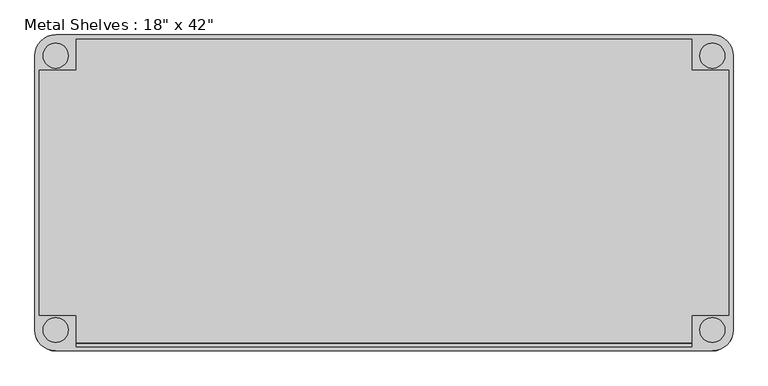
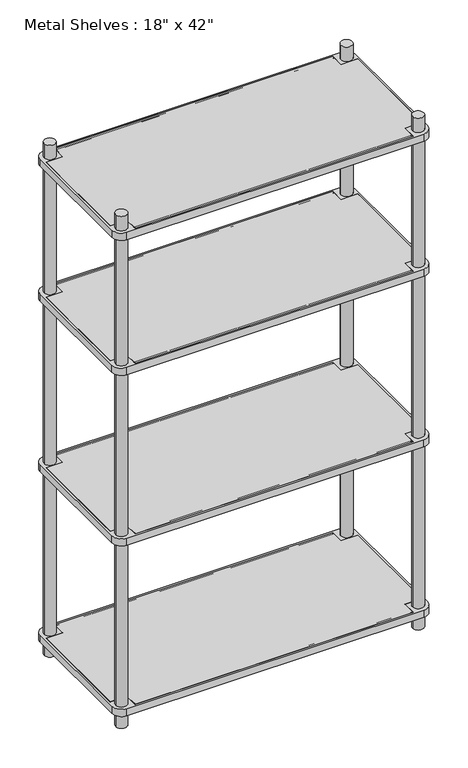
"""IFC4 building model written with IfcOpenShell, lengths in millimetres: furniture geometry."""

from ifc_helpers import new_model, si_unit, point, frame, frame_2d, origin, origin_with_axes, place, context, project, spatial, polyline, circle_curve, trimmed, segment, composite_curve, outline, extrude, source, transform, mapped, element, save


def furniture_dc0e3848(model_context):
    return source(origin(), model_context, "Body", "SweptSolid", [
        extrude(outline(polyline([(-469.9, -234.95), (-469.9, -187.325), (-527.05, -187.325), (-527.05, 187.325), (-469.9, 187.325), (-469.9, 234.95), (469.9, 234.95), (469.9, 187.325), (527.05, 187.325), (527.05, -187.325), (469.9, -187.325), (469.9, -234.95), (-469.9, -234.95)])), frame((0.0, 0.0, 50.8), z_axis=(0.0, 0.0, 1.0), x_axis=(1.0, 0.0, 0.0)), (0.0, 0.0, 1.0), 25.4),
        extrude(outline(polyline([(-469.9, -234.95), (-469.9, -187.325), (-527.05, -187.325), (-527.05, 187.325), (-469.9, 187.325), (-469.9, 234.95), (469.9, 234.95), (469.9, 187.325), (527.05, 187.325), (527.05, -187.325), (469.9, -187.325), (469.9, -234.95), (-469.9, -234.95)])), frame((0.0, 0.0, 660.4), z_axis=(0.0, 0.0, 1.0), x_axis=(1.0, 0.0, 0.0)), (0.0, 0.0, 1.0), 25.4),
        extrude(outline(polyline([(-469.9, -234.95), (-469.9, -187.325), (-527.05, -187.325), (-527.05, 187.325), (-469.9, 187.325), (-469.9, 234.95), (469.9, 234.95), (469.9, 187.325), (527.05, 187.325), (527.05, -187.325), (469.9, -187.325), (469.9, -234.95), (-469.9, -234.95)])), frame((0.0, 0.0, 1270.0), z_axis=(0.0, 0.0, 1.0), x_axis=(1.0, 0.0, 0.0)), (0.0, 0.0, 1.0), 25.4),
        extrude(outline(polyline([(-527.05, -187.325), (-527.05, 187.325), (-469.9, 187.325), (-469.9, 234.95), (469.9, 234.95), (469.9, 187.325), (527.05, 187.325), (527.05, -187.325), (469.9, -187.325), (469.9, -234.95), (-469.9, -234.95), (-469.9, -187.325), (-527.05, -187.325)])), frame((0.0, 0.0, 1752.6), z_axis=(0.0, 0.0, 1.0), x_axis=(1.0, 0.0, 0.0)), (0.0, 0.0, 1.0), 25.4),
        extrude(outline(composite_curve([segment(polyline([(533.4, 209.55), (533.4, -209.55)]), True, "CONTINUOUS"), segment(trimmed(circle_curve(frame_2d((501.65, -209.55)), 31.75), [point((533.4, -209.55))], [point((501.65, -241.3))], False, "CARTESIAN"), True, "CONTINUOUS"), segment(polyline([(501.65, -241.3), (-501.65, -241.3)]), True, "CONTINUOUS"), segment(trimmed(circle_curve(frame_2d((-501.65, -209.55)), 31.75), [point((-501.65, -241.3))], [point((-533.4, -209.55))], False, "CARTESIAN"), True, "CONTINUOUS"), segment(polyline([(-533.4, -209.55), (-533.4, 209.55)]), True, "CONTINUOUS"), segment(trimmed(circle_curve(frame_2d((-501.65, 209.55)), 31.75), [point((-533.4, 209.55))], [point((-501.65, 241.3))], False, "CARTESIAN"), True, "CONTINUOUS"), segment(polyline([(-501.65, 241.3), (501.65, 241.3)]), True, "CONTINUOUS"), segment(trimmed(circle_curve(frame_2d((501.65, 209.55)), 31.75), [point((501.65, 241.3))], [point((533.4, 209.55))], False, "CARTESIAN"), True, "CONTINUOUS")], self_intersect=False), holes=[polyline([(-469.9, 234.95), (-469.9, 187.325), (-527.05, 187.325), (-527.05, -187.325), (-469.9, -187.325), (-469.9, -234.95), (469.9, -234.95), (469.9, -187.325), (527.05, -187.325), (527.05, 187.325), (469.9, 187.325), (469.9, 234.95), (-469.9, 234.95)]), composite_curve([segment(trimmed(circle_curve(frame_2d((501.65, 209.55)), 19.05), [point((482.6, 209.55))], [point((520.7, 209.55))], True, "CARTESIAN"), True, "CONTINUOUS"), segment(trimmed(circle_curve(frame_2d((501.65, 209.55)), 19.05), [point((520.7, 209.55))], [point((482.6, 209.55))], True, "CARTESIAN"), True, "CONTINUOUS")], self_intersect=False), composite_curve([segment(trimmed(circle_curve(frame_2d((501.65, -209.55)), 19.05), [point((482.6, -209.55))], [point((520.7, -209.55))], True, "CARTESIAN"), True, "CONTINUOUS"), segment(trimmed(circle_curve(frame_2d((501.65, -209.55)), 19.05), [point((520.7, -209.55))], [point((482.6, -209.55))], True, "CARTESIAN"), True, "CONTINUOUS")], self_intersect=False), composite_curve([segment(trimmed(circle_curve(frame_2d((-501.65, -209.55)), 19.05), [point((-482.6, -209.55))], [point((-520.7, -209.55))], True, "CARTESIAN"), True, "CONTINUOUS"), segment(trimmed(circle_curve(frame_2d((-501.65, -209.55)), 19.05), [point((-520.7, -209.55))], [point((-482.6, -209.55))], True, "CARTESIAN"), True, "CONTINUOUS")], self_intersect=False), composite_curve([segment(trimmed(circle_curve(frame_2d((-501.65, 209.55)), 19.05), [point((-482.6, 209.55))], [point((-520.7, 209.55))], True, "CARTESIAN"), True, "CONTINUOUS"), segment(trimmed(circle_curve(frame_2d((-501.65, 209.55)), 19.05), [point((-520.7, 209.55))], [point((-482.6, 209.55))], True, "CARTESIAN"), True, "CONTINUOUS")], self_intersect=False)]), frame((0.0, 0.0, 660.4), z_axis=(0.0, 0.0, 1.0), x_axis=(1.0, 0.0, 0.0)), (0.0, 0.0, 1.0), 25.4),
        extrude(outline(composite_curve([segment(polyline([(-501.65, 241.3), (501.65, 241.3)]), True, "CONTINUOUS"), segment(trimmed(circle_curve(frame_2d((501.65, 209.55)), 31.75), [point((501.65, 241.3))], [point((533.4, 209.55))], False, "CARTESIAN"), True, "CONTINUOUS"), segment(polyline([(533.4, 209.55), (533.4, -209.55)]), True, "CONTINUOUS"), segment(trimmed(circle_curve(frame_2d((501.65, -209.55)), 31.75), [point((533.4, -209.55))], [point((501.65, -241.3))], False, "CARTESIAN"), True, "CONTINUOUS"), segment(polyline([(501.65, -241.3), (-501.65, -241.3)]), True, "CONTINUOUS"), segment(trimmed(circle_curve(frame_2d((-501.65, -209.55)), 31.75), [point((-501.65, -241.3))], [point((-533.4, -209.55))], False, "CARTESIAN"), True, "CONTINUOUS"), segment(polyline([(-533.4, -209.55), (-533.4, 209.55)]), True, "CONTINUOUS"), segment(trimmed(circle_curve(frame_2d((-501.65, 209.55)), 31.75), [point((-533.4, 209.55))], [point((-501.65, 241.3))], False, "CARTESIAN"), True, "CONTINUOUS")], self_intersect=False), holes=[composite_curve([segment(trimmed(circle_curve(frame_2d((-501.65, 209.55)), 19.05), [point((-482.6, 209.55))], [point((-520.7, 209.55))], True, "CARTESIAN"), True, "CONTINUOUS"), segment(trimmed(circle_curve(frame_2d((-501.65, 209.55)), 19.05), [point((-520.7, 209.55))], [point((-482.6, 209.55))], True, "CARTESIAN"), True, "CONTINUOUS")], self_intersect=False), composite_curve([segment(trimmed(circle_curve(frame_2d((-501.65, -209.55)), 19.05), [point((-482.6, -209.55))], [point((-520.7, -209.55))], True, "CARTESIAN"), True, "CONTINUOUS"), segment(trimmed(circle_curve(frame_2d((-501.65, -209.55)), 19.05), [point((-520.7, -209.55))], [point((-482.6, -209.55))], True, "CARTESIAN"), True, "CONTINUOUS")], self_intersect=False), composite_curve([segment(trimmed(circle_curve(frame_2d((501.65, 209.55)), 19.05), [point((482.6, 209.55))], [point((520.7, 209.55))], True, "CARTESIAN"), True, "CONTINUOUS"), segment(trimmed(circle_curve(frame_2d((501.65, 209.55)), 19.05), [point((520.7, 209.55))], [point((482.6, 209.55))], True, "CARTESIAN"), True, "CONTINUOUS")], self_intersect=False), composite_curve([segment(trimmed(circle_curve(frame_2d((501.65, -209.55)), 19.05), [point((482.6, -209.55))], [point((520.7, -209.55))], True, "CARTESIAN"), True, "CONTINUOUS"), segment(trimmed(circle_curve(frame_2d((501.65, -209.55)), 19.05), [point((520.7, -209.55))], [point((482.6, -209.55))], True, "CARTESIAN"), True, "CONTINUOUS")], self_intersect=False), polyline([(-469.9, 234.95), (-469.9, 187.325), (-527.05, 187.325), (-527.05, -187.325), (-469.9, -187.325), (-469.9, -234.95), (469.9, -234.95), (469.9, -187.325), (527.05, -187.325), (527.05, 187.325), (469.9, 187.325), (469.9, 234.95), (-469.9, 234.95)])]), frame((0.0, 0.0, 50.8), z_axis=(0.0, 0.0, 1.0), x_axis=(1.0, 0.0, 0.0)), (0.0, 0.0, 1.0), 25.4),
        extrude(outline(composite_curve([segment(polyline([(-533.4, -209.55), (-533.4, 209.55)]), True, "CONTINUOUS"), segment(trimmed(circle_curve(frame_2d((-501.65, 209.55)), 31.75), [point((-533.4, 209.55))], [point((-501.65, 241.3))], False, "CARTESIAN"), True, "CONTINUOUS"), segment(polyline([(-501.65, 241.3), (501.65, 241.3)]), True, "CONTINUOUS"), segment(trimmed(circle_curve(frame_2d((501.65, 209.55)), 31.75), [point((501.65, 241.3))], [point((533.4, 209.55))], False, "CARTESIAN"), True, "CONTINUOUS"), segment(polyline([(533.4, 209.55), (533.4, -209.55)]), True, "CONTINUOUS"), segment(trimmed(circle_curve(frame_2d((501.65, -209.55)), 31.75), [point((533.4, -209.55))], [point((501.65, -241.3))], False, "CARTESIAN"), True, "CONTINUOUS"), segment(polyline([(501.65, -241.3), (-501.65, -241.3)]), True, "CONTINUOUS"), segment(trimmed(circle_curve(frame_2d((-501.65, -209.55)), 31.75), [point((-501.65, -241.3))], [point((-533.4, -209.55))], False, "CARTESIAN"), True, "CONTINUOUS")], self_intersect=False), holes=[composite_curve([segment(trimmed(circle_curve(frame_2d((-501.65, -209.55)), 19.05), [point((-482.6, -209.55))], [point((-520.7, -209.55))], True, "CARTESIAN"), True, "CONTINUOUS"), segment(trimmed(circle_curve(frame_2d((-501.65, -209.55)), 19.05), [point((-520.7, -209.55))], [point((-482.6, -209.55))], True, "CARTESIAN"), True, "CONTINUOUS")], self_intersect=False), composite_curve([segment(trimmed(circle_curve(frame_2d((-501.65, 209.55)), 19.05), [point((-482.6, 209.55))], [point((-520.7, 209.55))], True, "CARTESIAN"), True, "CONTINUOUS"), segment(trimmed(circle_curve(frame_2d((-501.65, 209.55)), 19.05), [point((-520.7, 209.55))], [point((-482.6, 209.55))], True, "CARTESIAN"), True, "CONTINUOUS")], self_intersect=False), composite_curve([segment(trimmed(circle_curve(frame_2d((501.65, 209.55)), 19.05), [point((482.6, 209.55))], [point((520.7, 209.55))], True, "CARTESIAN"), True, "CONTINUOUS"), segment(trimmed(circle_curve(frame_2d((501.65, 209.55)), 19.05), [point((520.7, 209.55))], [point((482.6, 209.55))], True, "CARTESIAN"), True, "CONTINUOUS")], self_intersect=False), polyline([(-469.9, 234.95), (-469.9, 187.325), (-527.05, 187.325), (-527.05, -187.325), (-469.9, -187.325), (-469.9, -234.95), (469.9, -234.95), (469.9, -187.325), (527.05, -187.325), (527.05, 187.325), (469.9, 187.325), (469.9, 234.95), (-469.9, 234.95)]), composite_curve([segment(trimmed(circle_curve(frame_2d((501.65, -209.55)), 19.05), [point((482.6, -209.55))], [point((520.7, -209.55))], True, "CARTESIAN"), True, "CONTINUOUS"), segment(trimmed(circle_curve(frame_2d((501.65, -209.55)), 19.05), [point((520.7, -209.55))], [point((482.6, -209.55))], True, "CARTESIAN"), True, "CONTINUOUS")], self_intersect=False)]), frame((0.0, 0.0, 1270.0), z_axis=(0.0, 0.0, 1.0), x_axis=(1.0, 0.0, 0.0)), (0.0, 0.0, 1.0), 25.4),
        extrude(outline(composite_curve([segment(polyline([(-501.65, 241.3), (501.65, 241.3)]), True, "CONTINUOUS"), segment(trimmed(circle_curve(frame_2d((501.65, 209.55)), 31.75), [point((501.65, 241.3))], [point((533.4, 209.55))], False, "CARTESIAN"), True, "CONTINUOUS"), segment(polyline([(533.4, 209.55), (533.4, -209.55)]), True, "CONTINUOUS"), segment(trimmed(circle_curve(frame_2d((501.65, -209.55)), 31.75), [point((533.4, -209.55))], [point((501.65, -241.3))], False, "CARTESIAN"), True, "CONTINUOUS"), segment(polyline([(501.65, -241.3), (-501.65, -241.3)]), True, "CONTINUOUS"), segment(trimmed(circle_curve(frame_2d((-501.65, -209.55)), 31.75), [point((-501.65, -241.3))], [point((-533.4, -209.55))], False, "CARTESIAN"), True, "CONTINUOUS"), segment(polyline([(-533.4, -209.55), (-533.4, 209.55)]), True, "CONTINUOUS"), segment(trimmed(circle_curve(frame_2d((-501.65, 209.55)), 31.75), [point((-533.4, 209.55))], [point((-501.65, 241.3))], False, "CARTESIAN"), True, "CONTINUOUS")], self_intersect=False), holes=[composite_curve([segment(trimmed(circle_curve(frame_2d((501.65, -209.55)), 19.05), [point((482.6, -209.55))], [point((520.7, -209.55))], True, "CARTESIAN"), True, "CONTINUOUS"), segment(trimmed(circle_curve(frame_2d((501.65, -209.55)), 19.05), [point((520.7, -209.55))], [point((482.6, -209.55))], True, "CARTESIAN"), True, "CONTINUOUS")], self_intersect=False), composite_curve([segment(trimmed(circle_curve(frame_2d((501.65, 209.55)), 19.05), [point((482.6, 209.55))], [point((520.7, 209.55))], True, "CARTESIAN"), True, "CONTINUOUS"), segment(trimmed(circle_curve(frame_2d((501.65, 209.55)), 19.05), [point((520.7, 209.55))], [point((482.6, 209.55))], True, "CARTESIAN"), True, "CONTINUOUS")], self_intersect=False), composite_curve([segment(trimmed(circle_curve(frame_2d((-501.65, -209.55)), 19.05), [point((-482.6, -209.55))], [point((-520.7, -209.55))], True, "CARTESIAN"), True, "CONTINUOUS"), segment(trimmed(circle_curve(frame_2d((-501.65, -209.55)), 19.05), [point((-520.7, -209.55))], [point((-482.6, -209.55))], True, "CARTESIAN"), True, "CONTINUOUS")], self_intersect=False), polyline([(527.05, 187.325), (469.9, 187.325), (469.9, 234.95), (-469.9, 234.95), (-469.9, 187.325), (-527.05, 187.325), (-527.05, -187.325), (-469.9, -187.325), (-469.9, -234.95), (469.9, -234.95), (469.9, -187.325), (527.05, -187.325), (527.05, 187.325)]), composite_curve([segment(trimmed(circle_curve(frame_2d((-501.65, 209.55)), 19.05), [point((-482.6, 209.55))], [point((-520.7, 209.55))], True, "CARTESIAN"), True, "CONTINUOUS"), segment(trimmed(circle_curve(frame_2d((-501.65, 209.55)), 19.05), [point((-520.7, 209.55))], [point((-482.6, 209.55))], True, "CARTESIAN"), True, "CONTINUOUS")], self_intersect=False)]), frame((0.0, 0.0, 1752.6), z_axis=(0.0, 0.0, 1.0), x_axis=(1.0, 0.0, 0.0)), (0.0, 0.0, 1.0), 25.4),
        extrude(outline(composite_curve([segment(trimmed(circle_curve(frame_2d((-228.6, 1776.4125)), 1.5875), [point((-227.0125, 1776.4125))], [point((-230.1875, 1776.4125))], False, "CARTESIAN"), True, "CONTINUOUS"), segment(trimmed(circle_curve(frame_2d((-228.6, 1776.4125)), 1.5875), [point((-230.1875, 1776.4125))], [point((-227.0125, 1776.4125))], False, "CARTESIAN"), True, "CONTINUOUS")], self_intersect=False)), frame((-469.9, 0.0, 0.0), z_axis=(1.0, 0.0, 0.0), x_axis=(0.0, 1.0, 0.0)), (0.0, 0.0, 1.0), 939.8),
        extrude(outline(composite_curve([segment(trimmed(circle_curve(frame_2d((228.6, 1776.4125)), 1.5875), [point((230.1875, 1776.4125))], [point((227.0125, 1776.4125))], False, "CARTESIAN"), True, "CONTINUOUS"), segment(trimmed(circle_curve(frame_2d((228.6, 1776.4125)), 1.5875), [point((227.0125, 1776.4125))], [point((230.1875, 1776.4125))], False, "CARTESIAN"), True, "CONTINUOUS")], self_intersect=False)), frame((-469.9, 0.0, 0.0), z_axis=(1.0, 0.0, 0.0), x_axis=(0.0, 1.0, 0.0)), (0.0, 0.0, 1.0), 939.8),
        extrude(outline(composite_curve([segment(trimmed(circle_curve(frame_2d((-228.6, 1293.8125)), 1.5875), [point((-227.0125, 1293.8125))], [point((-230.1875, 1293.8125))], False, "CARTESIAN"), True, "CONTINUOUS"), segment(trimmed(circle_curve(frame_2d((-228.6, 1293.8125)), 1.5875), [point((-230.1875, 1293.8125))], [point((-227.0125, 1293.8125))], False, "CARTESIAN"), True, "CONTINUOUS")], self_intersect=False)), frame((-469.9, 0.0, 0.0), z_axis=(1.0, 0.0, 0.0), x_axis=(0.0, 1.0, 0.0)), (0.0, 0.0, 1.0), 939.8),
        extrude(outline(composite_curve([segment(trimmed(circle_curve(frame_2d((228.6, 1293.8125)), 1.5875), [point((230.1875, 1293.8125))], [point((227.0125, 1293.8125))], False, "CARTESIAN"), True, "CONTINUOUS"), segment(trimmed(circle_curve(frame_2d((228.6, 1293.8125)), 1.5875), [point((227.0125, 1293.8125))], [point((230.1875, 1293.8125))], False, "CARTESIAN"), True, "CONTINUOUS")], self_intersect=False)), frame((-469.9, 0.0, 0.0), z_axis=(1.0, 0.0, 0.0), x_axis=(0.0, 1.0, 0.0)), (0.0, 0.0, 1.0), 939.8),
        extrude(outline(composite_curve([segment(trimmed(circle_curve(frame_2d((-228.6, 684.2125)), 1.5875), [point((-227.0125, 684.2125))], [point((-230.1875, 684.2125))], False, "CARTESIAN"), True, "CONTINUOUS"), segment(trimmed(circle_curve(frame_2d((-228.6, 684.2125)), 1.5875), [point((-230.1875, 684.2125))], [point((-227.0125, 684.2125))], False, "CARTESIAN"), True, "CONTINUOUS")], self_intersect=False)), frame((-469.9, 0.0, 0.0), z_axis=(1.0, 0.0, 0.0), x_axis=(0.0, 1.0, 0.0)), (0.0, 0.0, 1.0), 939.8),
        extrude(outline(composite_curve([segment(trimmed(circle_curve(frame_2d((228.6, 684.2125)), 1.5875), [point((230.1875, 684.2125))], [point((227.0125, 684.2125))], False, "CARTESIAN"), True, "CONTINUOUS"), segment(trimmed(circle_curve(frame_2d((228.6, 684.2125)), 1.5875), [point((227.0125, 684.2125))], [point((230.1875, 684.2125))], False, "CARTESIAN"), True, "CONTINUOUS")], self_intersect=False)), frame((-469.9, 0.0, 0.0), z_axis=(1.0, 0.0, 0.0), x_axis=(0.0, 1.0, 0.0)), (0.0, 0.0, 1.0), 939.8),
        extrude(outline(composite_curve([segment(trimmed(circle_curve(frame_2d((-228.6, 74.6125)), 1.5875), [point((-227.0125, 74.6125))], [point((-230.1875, 74.6125))], False, "CARTESIAN"), True, "CONTINUOUS"), segment(trimmed(circle_curve(frame_2d((-228.6, 74.6125)), 1.5875), [point((-230.1875, 74.6125))], [point((-227.0125, 74.6125))], False, "CARTESIAN"), True, "CONTINUOUS")], self_intersect=False)), frame((-469.9, 0.0, 0.0), z_axis=(1.0, 0.0, 0.0), x_axis=(0.0, 1.0, 0.0)), (0.0, 0.0, 1.0), 939.8),
        extrude(outline(composite_curve([segment(trimmed(circle_curve(frame_2d((228.6, 74.6125)), 1.5875), [point((230.1875, 74.6125))], [point((227.0125, 74.6125))], False, "CARTESIAN"), True, "CONTINUOUS"), segment(trimmed(circle_curve(frame_2d((228.6, 74.6125)), 1.5875), [point((227.0125, 74.6125))], [point((230.1875, 74.6125))], False, "CARTESIAN"), True, "CONTINUOUS")], self_intersect=False)), frame((-469.9, 0.0, 0.0), z_axis=(1.0, 0.0, 0.0), x_axis=(0.0, 1.0, 0.0)), (0.0, 0.0, 1.0), 939.8),
        extrude(outline(composite_curve([segment(trimmed(circle_curve(frame_2d((501.65, 209.55)), 19.05), [point((520.7, 209.55))], [point((482.6, 209.55))], False, "CARTESIAN"), True, "CONTINUOUS"), segment(trimmed(circle_curve(frame_2d((501.65, 209.55)), 19.05), [point((482.6, 209.55))], [point((520.7, 209.55))], False, "CARTESIAN"), True, "CONTINUOUS")], self_intersect=False)), origin_with_axes(), (0.0, 0.0, 1.0), 1828.8),
        extrude(outline(composite_curve([segment(trimmed(circle_curve(frame_2d((-501.65, 209.55)), 19.05), [point((-520.7, 209.55))], [point((-482.6, 209.55))], False, "CARTESIAN"), True, "CONTINUOUS"), segment(trimmed(circle_curve(frame_2d((-501.65, 209.55)), 19.05), [point((-482.6, 209.55))], [point((-520.7, 209.55))], False, "CARTESIAN"), True, "CONTINUOUS")], self_intersect=False)), origin_with_axes(), (0.0, 0.0, 1.0), 1828.8),
        extrude(outline(composite_curve([segment(trimmed(circle_curve(frame_2d((501.65, -209.55)), 19.05), [point((520.7, -209.55))], [point((482.6, -209.55))], False, "CARTESIAN"), True, "CONTINUOUS"), segment(trimmed(circle_curve(frame_2d((501.65, -209.55)), 19.05), [point((482.6, -209.55))], [point((520.7, -209.55))], False, "CARTESIAN"), True, "CONTINUOUS")], self_intersect=False)), origin_with_axes(), (0.0, 0.0, 1.0), 1828.8),
        extrude(outline(composite_curve([segment(trimmed(circle_curve(frame_2d((-501.65, -209.55)), 19.05), [point((-520.7, -209.55))], [point((-482.6, -209.55))], False, "CARTESIAN"), True, "CONTINUOUS"), segment(trimmed(circle_curve(frame_2d((-501.65, -209.55)), 19.05), [point((-482.6, -209.55))], [point((-520.7, -209.55))], False, "CARTESIAN"), True, "CONTINUOUS")], self_intersect=False)), origin_with_axes(), (0.0, 0.0, 1.0), 1828.8),
    ])


if __name__ == "__main__":
    model = new_model("IFC4")
    model_context = context("Model", 3, world=origin())
    ifc_project = project(units=[si_unit("LENGTHUNIT", "METRE", prefix="MILLI")], contexts=[model_context])
    site = spatial("IfcSite", under=ifc_project)
    building = spatial("IfcBuilding", under=site)
    placement = place(None, origin())
    furniture_shape = furniture_dc0e3848(model_context)
    element("IfcFurniture", 1, ObjectType="Metal Shelves : 18\" x 42\"", at=placement, inside=building, context=model_context, shape_type="MappedRepresentation", body=[
        mapped(furniture_shape, transform((0.0, 0.0, 0.0), x_axis=(1.0, 0.0, 0.0), y_axis=(0.0, 1.0, 0.0), z_axis=(0.0, 0.0, 1.0))),
    ])
    save(model, "model.ifc")
